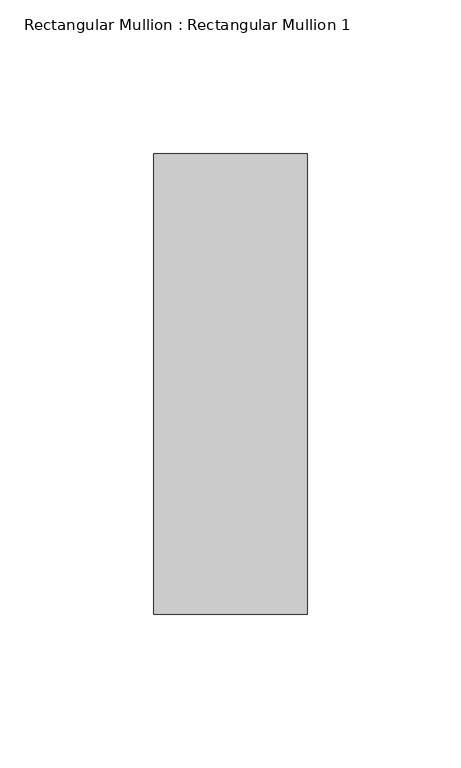
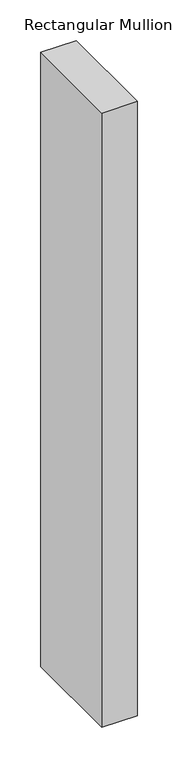
"""IFC4 building model written with IfcOpenShell, lengths in millimetres: member geometry, Rectangular Mullion : Rectangular Mullion 1."""

from ifc_helpers import new_model, si_unit, frame, origin, place, context, project, spatial, polyline, outline, extrude, source, transform, mapped, element, save


def rectangular_mullion_rectangular_mullion_1_4b7bd92e(model_context):
    return source(origin(), model_context, "Body", "SweptSolid", [
        extrude(outline(polyline([(25.0, 75.0), (25.0, -75.0), (-25.0, -75.0), (-25.0, 75.0), (25.0, 75.0)])), frame((0.0, 0.0, -920.0), z_axis=(0.0, 0.0, 1.0), x_axis=(1.0, 0.0, 0.0)), (0.0, 0.0, 1.0), 920.0),
    ])


if __name__ == "__main__":
    model = new_model("IFC4")
    model_context = context("Model", 3, world=origin())
    ifc_project = project(units=[si_unit("LENGTHUNIT", "METRE", prefix="MILLI")], contexts=[model_context])
    site = spatial("IfcSite", under=ifc_project)
    building = spatial("IfcBuilding", under=site)
    placement = place(None, origin())
    rectangular_mullion_rectangular_mullion_1_shape = rectangular_mullion_rectangular_mullion_1_4b7bd92e(model_context)
    element("IfcMember", 1, ObjectType="Rectangular Mullion : Rectangular Mullion 1", at=placement, inside=building, context=model_context, shape_type="MappedRepresentation", body=[
        mapped(rectangular_mullion_rectangular_mullion_1_shape, transform((0.0, 0.0, 0.0), x_axis=(1.0, 0.0, 0.0), y_axis=(0.0, 1.0, 0.0), z_axis=(0.0, 0.0, 1.0))),
    ])
    save(model, "model.ifc")
